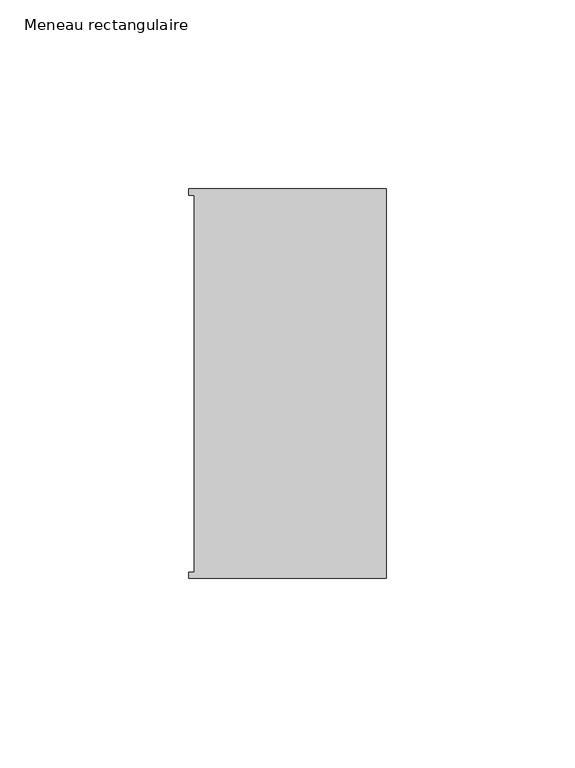
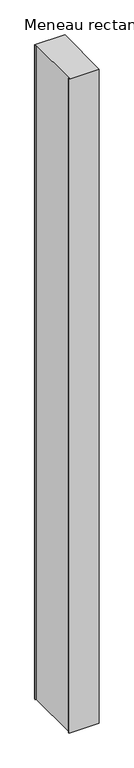
"""IFC4 building model written with IfcOpenShell, lengths in millimetres: member geometry, Meneau rectangulaire."""

from ifc_helpers import new_model, si_unit, frame, origin, place, context, project, spatial, polyline, outline, extrude, source, transform, mapped, element, save


def meneau_rectangulaire_04a6f7a0(model_context):
    return source(origin(), model_context, "Body", "SweptSolid", [
        extrude(outline(polyline([(-52.3, 51.6531441), (0.0, 51.6531441), (0.0, -51.6130012), (-52.3, -51.6130012), (-52.3, -49.9174099), (-50.9, -49.9174099), (-50.9, 49.9174073), (-52.3, 49.9174073), (-52.3, 51.6531441)])), frame((0.0, 0.0, -1200.0), z_axis=(0.0, 0.0, 1.0), x_axis=(1.0, 0.0, 0.0)), (0.0, 0.0, 1.0), 1200.0),
    ])


if __name__ == "__main__":
    model = new_model("IFC4")
    model_context = context("Model", 3, world=origin())
    ifc_project = project(units=[si_unit("LENGTHUNIT", "METRE", prefix="MILLI")], contexts=[model_context])
    site = spatial("IfcSite", under=ifc_project)
    building = spatial("IfcBuilding", under=site)
    placement = place(None, origin())
    meneau_rectangulaire_shape = meneau_rectangulaire_04a6f7a0(model_context)
    element("IfcMember", 1, ObjectType="Meneau rectangulaire", at=placement, inside=building, context=model_context, shape_type="MappedRepresentation", body=[
        mapped(meneau_rectangulaire_shape, transform((0.0, 0.0, 0.0), x_axis=(1.0, 0.0, 0.0), y_axis=(0.0, 1.0, 0.0), z_axis=(0.0, 0.0, 1.0))),
    ])
    save(model, "model.ifc")
